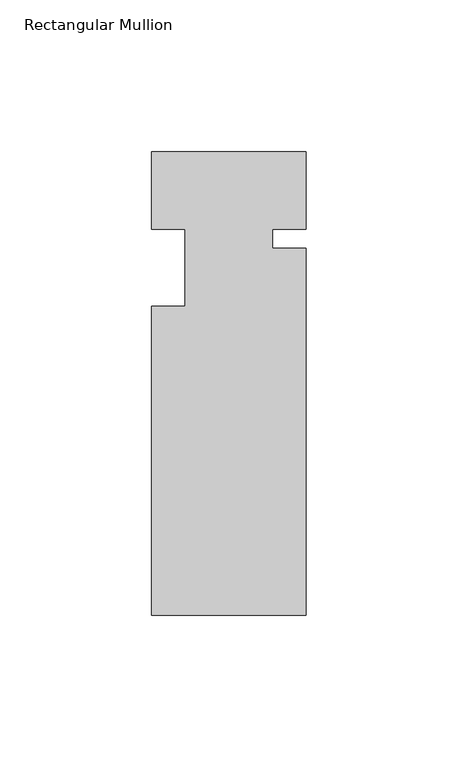
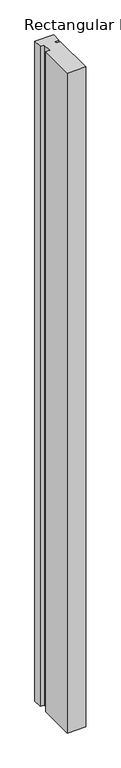
"""IFC4 building model written with IfcOpenShell, lengths in millimetres: member geometry, Rectangular Mullion."""

from ifc_helpers import new_model, si_unit, frame, origin, place, context, project, spatial, polyline, outline, extrude, source, transform, mapped, element, save


def rectangular_mullion_1819c4d9(model_context):
    return source(origin(), model_context, "Body", "SweptSolid", [
        extrude(outline(polyline([(25.4, -25.4), (14.3002, -25.4), (14.3002, -31.75), (25.4, -31.75), (25.4, -152.4), (-25.4, -152.4), (-25.4, -50.8), (-14.398625, -50.8), (-14.398625, -25.4), (-25.4, -25.4), (-25.4, 0.0), (25.4, 0.0), (25.4, -25.4)])), frame((0.0, 0.0, -1904.999416), z_axis=(0.0, 0.0, 1.0), x_axis=(1.0, 0.0, 0.0)), (0.0, 0.0, 1.0), 1904.999416),
    ])


if __name__ == "__main__":
    model = new_model("IFC4")
    model_context = context("Model", 3, world=origin())
    ifc_project = project(units=[si_unit("LENGTHUNIT", "METRE", prefix="MILLI")], contexts=[model_context])
    site = spatial("IfcSite", under=ifc_project)
    building = spatial("IfcBuilding", under=site)
    placement = place(None, origin())
    rectangular_mullion_shape = rectangular_mullion_1819c4d9(model_context)
    element("IfcMember", 1, ObjectType="Rectangular Mullion", at=placement, inside=building, context=model_context, shape_type="MappedRepresentation", body=[
        mapped(rectangular_mullion_shape, transform((0.0, 0.0, 0.0), x_axis=(1.0, 0.0, 0.0), y_axis=(0.0, 1.0, 0.0), z_axis=(0.0, 0.0, 1.0))),
    ])
    save(model, "model.ifc")
